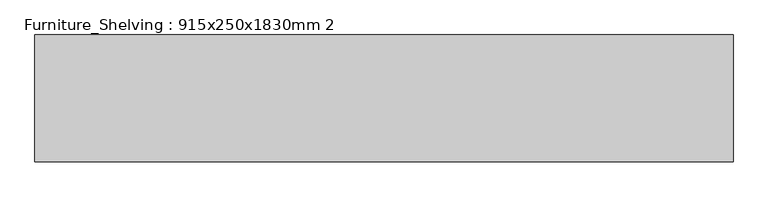
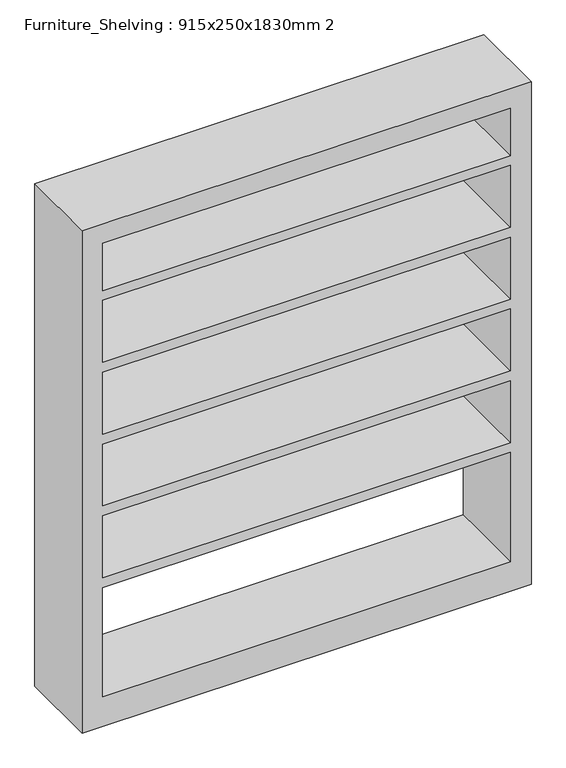
"""IFC4 building model written with IfcOpenShell, lengths in millimetres: furniture geometry, Furniture_Shelving : 915x250x1830mm 2."""

from ifc_helpers import new_model, si_unit, frame, origin, place, context, project, spatial, polyline, outline, extrude, source, transform, mapped, element, save


def furniture_shelving_915x250x1830mm_2_a8aa05fc(model_context):
    return source(origin(), model_context, "Body", "SweptSolid", [
        extrude(outline(polyline([(0.0, 550.0), (1300.0, 550.0), (1300.0, -550.0), (0.0, -550.0), (0.0, 550.0)]), holes=[polyline([(1249.2, 499.2), (1126.9857143, 499.2), (1126.9857143, -499.2), (1249.2, -499.2), (1249.2, 499.2)]), polyline([(76.2, 499.2), (76.2, -499.2), (358.7285714, -499.2), (358.7285714, 499.2), (76.2, 499.2)]), polyline([(755.5571429, -499.2), (915.8714286, -499.2), (915.8714286, 499.2), (755.5571429, 499.2), (755.5571429, -499.2)]), polyline([(1101.5857143, 499.2), (941.2714286, 499.2), (941.2714286, -499.2), (1101.5857143, -499.2), (1101.5857143, 499.2)]), polyline([(730.1571429, 499.2), (569.8428571, 499.2), (569.8428571, -499.2), (730.1571429, -499.2), (730.1571429, 499.2)]), polyline([(544.4428571, 499.2), (384.1285714, 499.2), (384.1285714, -499.2), (544.4428571, -499.2), (544.4428571, 499.2)])]), frame((0.0, -404.8, 0.0), z_axis=(0.0, 1.0, 0.0), x_axis=(0.0, 0.0, 1.0)), (0.0, 0.0, 1.0), 200.0),
    ])


if __name__ == "__main__":
    model = new_model("IFC4")
    model_context = context("Model", 3, world=origin())
    ifc_project = project(units=[si_unit("LENGTHUNIT", "METRE", prefix="MILLI")], contexts=[model_context])
    site = spatial("IfcSite", under=ifc_project)
    building = spatial("IfcBuilding", under=site)
    placement = place(None, origin())
    furniture_shelving_915x250x1830mm_2_shape = furniture_shelving_915x250x1830mm_2_a8aa05fc(model_context)
    element("IfcFurniture", 1, ObjectType="Furniture_Shelving : 915x250x1830mm 2", at=placement, inside=building, context=model_context, shape_type="MappedRepresentation", body=[
        mapped(furniture_shelving_915x250x1830mm_2_shape, transform((0.0, 0.0, 0.0), x_axis=(1.0, 0.0, 0.0), y_axis=(0.0, 1.0, 0.0), z_axis=(0.0, 0.0, 1.0))),
    ])
    save(model, "model.ifc")
